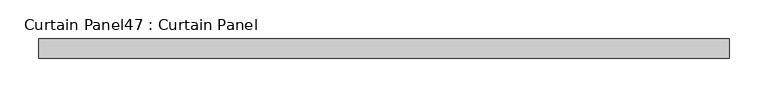
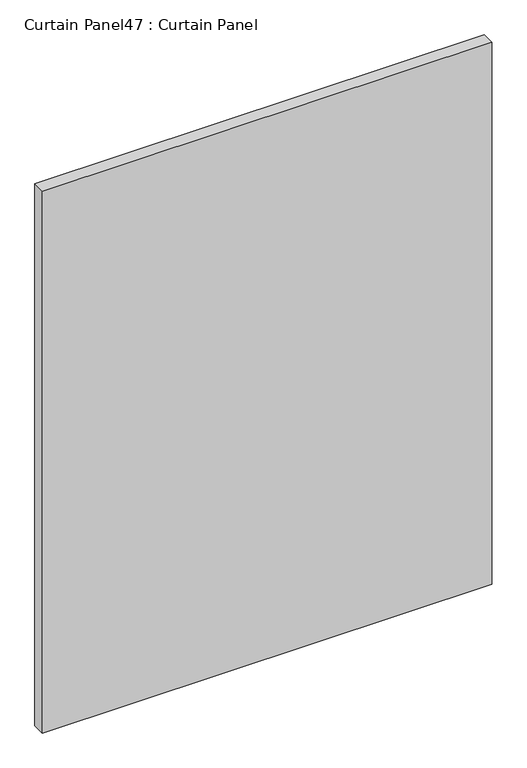
"""IFC4 building model written with IfcOpenShell, lengths in millimetres: plate geometry, Curtain Panel47 : Curtain Panel."""

from ifc_helpers import new_model, si_unit, frame, origin, place, context, project, spatial, polyline, outline, extrude, source, transform, mapped, element, save


def curtain_panel47_curtain_panel_ec114530(model_context):
    return source(origin(), model_context, "Body", "SweptSolid", [
        extrude(outline(polyline([(-41904.5811382, -3859.9631042), (-42799.9309118, -3859.9631042), (-42799.9309118, -3834.5631042), (-41904.5811382, -3834.5631042), (-41904.5811382, -3859.9631042)])), frame((0.0, 0.0, 2447.925), z_axis=(0.0, 0.0, 1.0), x_axis=(1.0, 0.0, 0.0)), (0.0, 0.0, 1.0), 1141.8462759),
    ])


if __name__ == "__main__":
    model = new_model("IFC4")
    model_context = context("Model", 3, world=origin())
    ifc_project = project(units=[si_unit("LENGTHUNIT", "METRE", prefix="MILLI")], contexts=[model_context])
    site = spatial("IfcSite", under=ifc_project)
    building = spatial("IfcBuilding", under=site)
    placement = place(None, origin())
    curtain_panel47_curtain_panel_shape = curtain_panel47_curtain_panel_ec114530(model_context)
    element("IfcPlate", 1, ObjectType="Curtain Panel47 : Curtain Panel", at=placement, inside=building, context=model_context, shape_type="MappedRepresentation", body=[
        mapped(curtain_panel47_curtain_panel_shape, transform((0.0, 0.0, 0.0), x_axis=(1.0, 0.0, 0.0), y_axis=(0.0, 1.0, 0.0), z_axis=(0.0, 0.0, 1.0))),
    ])
    save(model, "model.ifc")
